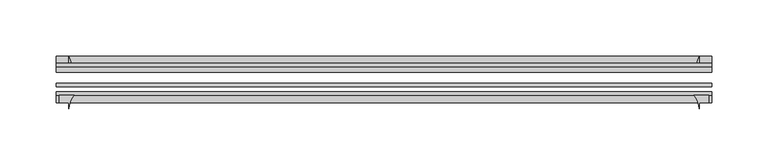
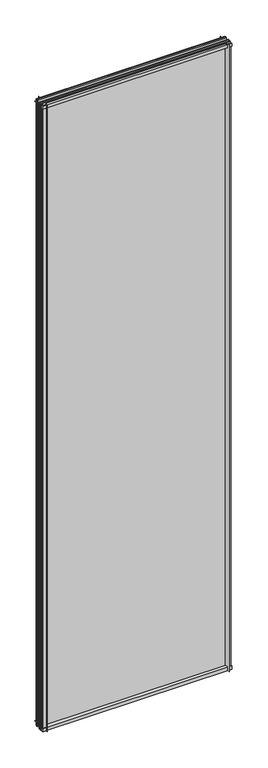
"""IFC4 building model written with IfcOpenShell, lengths in millimetres: plate geometry."""

from ifc_helpers import new_model, si_unit, point, frame, frame_2d, origin, place, context, project, spatial, polyline, circle_curve, trimmed, segment, composite_curve, outline, extrude, source, transform, mapped, element, save


def plate_91213322(model_context):
    return source(origin(), model_context, "Body", "SweptSolid", [
        extrude(outline(composite_curve([segment(polyline([(-42.891075, -11.1125), (-42.891075, 3.8539528)]), True, "CONTINUOUS"), segment(trimmed(circle_curve(frame_2d((-26.637892, 29.5913262)), 30.4397495), [point((-42.891075, 3.8539528))], [point((-33.7745413, 0.0))], True, "CARTESIAN"), True, "CONTINUOUS"), segment(polyline([(-33.7745413, 0.0), (-39.690675, 0.0), (-39.690675, -11.1125), (-42.891075, -11.1125)]), True, "CONTINUOUS")], self_intersect=False)), frame((-290.5125, 0.0, 0.0), z_axis=(1.0, 0.0, 0.0), x_axis=(0.0, 1.0, 0.0)), (0.0, 0.0, 1.0), 581.025),
        extrude(outline(composite_curve([segment(trimmed(circle_curve(frame_2d((-80.4922797, 17.8701603)), 18.6769817), [point((-74.641075, 0.1333891))], [point((-68.291075, 3.72943))], True, "CARTESIAN"), True, "CONTINUOUS"), segment(polyline([(-68.291075, 3.72943), (-68.291075, -10.3251), (-74.641075, -10.3251), (-74.641075, 0.1333891)]), True, "CONTINUOUS")], self_intersect=False)), frame((-290.5125, 0.0, 0.0), z_axis=(1.0, 0.0, 0.0), x_axis=(0.0, 1.0, 0.0)), (0.0, 0.0, 1.0), 581.025),
        extrude(outline(composite_curve([segment(polyline([(-42.891075, 2005.9083472), (-42.891075, 2020.8875), (-39.690675, 2020.8875), (-39.690675, 2009.775), (-33.721675, 2009.775)]), True, "CONTINUOUS"), segment(trimmed(circle_curve(frame_2d((-26.637892, 1980.1709738)), 30.4397495), [point((-33.721675, 2009.775))], [point((-42.891075, 2005.9083472))], True, "CARTESIAN"), True, "CONTINUOUS")], self_intersect=False)), frame((-290.5125, 0.0, 0.0), z_axis=(1.0, 0.0, 0.0), x_axis=(0.0, 1.0, 0.0)), (0.0, 0.0, 1.0), 581.025),
        extrude(outline(composite_curve([segment(polyline([(-68.291075, 2018.5126), (-68.291075, 2005.23912)]), True, "CONTINUOUS"), segment(trimmed(circle_curve(frame_2d((-80.4922797, 1991.0983897)), 18.6769817), [point((-68.291075, 2005.23912))], [point((-74.641075, 2008.8351609))], True, "CARTESIAN"), True, "CONTINUOUS"), segment(polyline([(-74.641075, 2008.8351609), (-74.641075, 2018.5126), (-68.291075, 2018.5126)]), True, "CONTINUOUS")], self_intersect=False)), frame((-290.5125, 0.0, 0.0), z_axis=(1.0, 0.0, 0.0), x_axis=(0.0, 1.0, 0.0)), (0.0, 0.0, 1.0), 581.025),
        extrude(outline(composite_curve([segment(polyline([(274.86412, -68.291075), (288.1376, -68.291075), (288.1376, -74.641075), (279.4, -74.641075), (279.4, -80.3744844)]), True, "CONTINUOUS"), segment(trimmed(circle_curve(frame_2d((260.7233897, -80.4922797)), 18.6769817), [point((279.4, -80.3744844))], [point((274.86412, -68.291075))], True, "CARTESIAN"), True, "CONTINUOUS")], self_intersect=False)), frame((0.0, 0.0, -11.1125), z_axis=(0.0, 0.0, 1.0), x_axis=(1.0, 0.0, 0.0)), (0.0, 0.0, 1.0), 2032.0),
        extrude(outline(composite_curve([segment(trimmed(circle_curve(frame_2d((249.7959738, -26.637892)), 30.4397495), [point((275.5333472, -42.891075))], [point((279.4, -33.721675))], True, "CARTESIAN"), True, "CONTINUOUS"), segment(polyline([(279.4, -33.721675), (279.4, -39.690675), (290.5125, -39.690675), (290.5125, -42.891075), (275.5333472, -42.891075)]), True, "CONTINUOUS")], self_intersect=False)), frame((0.0, 0.0, -11.1125), z_axis=(0.0, 0.0, 1.0), x_axis=(1.0, 0.0, 0.0)), (0.0, 0.0, 1.0), 2032.0),
        extrude(outline(composite_curve([segment(trimmed(circle_curve(frame_2d((-260.7233897, -80.4922797)), 18.6769817), [point((-274.86412, -68.291075))], [point((-279.4, -80.3744844))], True, "CARTESIAN"), True, "CONTINUOUS"), segment(polyline([(-279.4, -80.3744844), (-279.4, -74.641075), (-288.1376, -74.641075), (-288.1376, -68.291075), (-274.86412, -68.291075)]), True, "CONTINUOUS")], self_intersect=False)), frame((0.0, 0.0, -11.1125), z_axis=(0.0, 0.0, 1.0), x_axis=(1.0, 0.0, 0.0)), (0.0, 0.0, 1.0), 2032.0),
        extrude(outline(composite_curve([segment(polyline([(-275.5333472, -42.891075), (-290.5125, -42.891075), (-290.5125, -39.690675), (-279.4, -39.690675), (-279.4, -33.721675)]), True, "CONTINUOUS"), segment(trimmed(circle_curve(frame_2d((-249.7959738, -26.637892)), 30.4397495), [point((-279.4, -33.721675))], [point((-275.5333472, -42.891075))], True, "CARTESIAN"), True, "CONTINUOUS")], self_intersect=False)), frame((0.0, 0.0, -11.1125), z_axis=(0.0, 0.0, 1.0), x_axis=(1.0, 0.0, 0.0)), (0.0, 0.0, 1.0), 2032.0),
        extrude(outline(polyline([(-290.5125, -42.891075), (290.5125, -42.891075), (290.5125, -47.653575), (-290.5125, -47.653575), (-290.5125, -42.891075)])), frame((0.0, 0.0, -11.1125), z_axis=(0.0, 0.0, 1.0), x_axis=(1.0, 0.0, 0.0)), (0.0, 0.0, 1.0), 2032.0),
        extrude(outline(polyline([(290.5125, -57.369075), (290.5125, -60.544075), (-290.5125, -60.544075), (-290.5125, -57.369075), (290.5125, -57.369075)])), frame((0.0, 0.0, -11.1125), z_axis=(0.0, 0.0, 1.0), x_axis=(1.0, 0.0, 0.0)), (0.0, 0.0, 1.0), 2032.0),
        extrude(outline(polyline([(-290.5125, -65.116075), (290.5125, -65.116075), (290.5125, -68.291075), (-290.5125, -68.291075), (-290.5125, -65.116075)])), frame((0.0, 0.0, -11.1125), z_axis=(0.0, 0.0, 1.0), x_axis=(1.0, 0.0, 0.0)), (0.0, 0.0, 1.0), 2032.0),
    ])


if __name__ == "__main__":
    model = new_model("IFC4")
    model_context = context("Model", 3, world=origin())
    ifc_project = project(units=[si_unit("LENGTHUNIT", "METRE", prefix="MILLI")], contexts=[model_context])
    site = spatial("IfcSite", under=ifc_project)
    building = spatial("IfcBuilding", under=site)
    placement = place(None, origin())
    plate_shape = plate_91213322(model_context)
    element("IfcPlate", 1, at=placement, inside=building, context=model_context, shape_type="MappedRepresentation", body=[
        mapped(plate_shape, transform((0.0, 0.0, 0.0), x_axis=(1.0, 0.0, 0.0), y_axis=(0.0, 1.0, 0.0), z_axis=(0.0, 0.0, 1.0))),
    ])
    save(model, "model.ifc")
